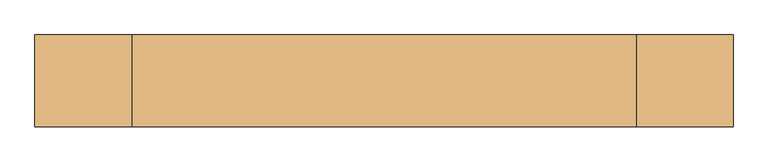
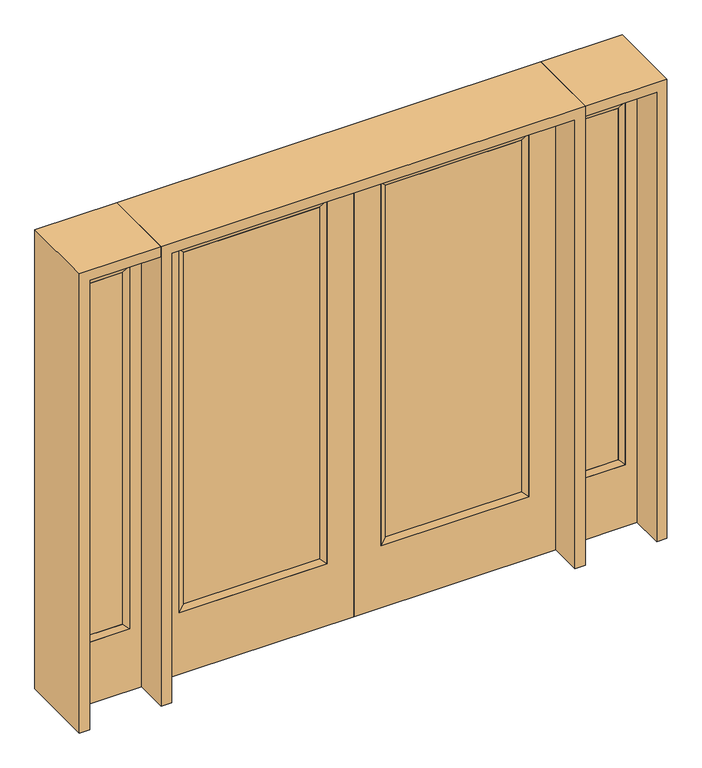
"""IFC4 building model written with IfcOpenShell, lengths in millimetres: door geometry."""

from ifc_helpers import new_model, si_unit, frame, origin, place, context, project, spatial, polyline, outline, extrude, faceted_brep, source, transform, mapped, element, save


def door_406bdc3f(model_context):
    return source(origin(), model_context, "Body", "SolidModel", [
        extrude(outline(polyline([(140.8176, -12.7039749), (140.8176, 14.2875), (722.7824, 14.2875), (722.7824, -12.7039749), (140.8176, -12.7039749)])), frame((0.0, 0.0, 304.8), z_axis=(0.0, 0.0, 1.0), x_axis=(1.0, 0.0, 0.0)), (0.0, 0.0, 1.0), 1590.675),
        faceted_brep([(140.8176, 14.2875, 1895.475), (140.8176, 14.2875, 304.8), (115.4176, 22.225, 279.4), (115.4176, 22.225, 1920.875), (115.4176, -22.225, 279.4), (115.4176, -22.225, 1920.875), (722.7824, 14.2875, 304.8), (748.1824, 22.225, 279.4), (140.8176, -12.7039749, 1895.475), (140.8176, -12.7039749, 304.8), (722.7824, -12.7039749, 304.8), (748.1824, -22.225, 279.4), (722.7824, 14.2875, 1895.475), (748.1824, 22.225, 1920.875), (722.7824, -12.7039749, 1895.475), (748.1824, -22.225, 1920.875)], [[[0, 1, 2, 3]], [[3, 2, 4, 5]], [[1, 6, 7, 2]], [[8, 9, 1, 0]], [[9, 10, 6, 1]], [[5, 4, 9, 8]], [[4, 11, 10, 9]], [[2, 7, 11, 4]], [[6, 12, 13, 7]], [[10, 14, 12, 6]], [[11, 15, 14, 10]], [[7, 13, 15, 11]], [[12, 0, 3, 13]], [[14, 8, 0, 12]], [[15, 5, 8, 14]], [[13, 3, 5, 15]]]),
        extrude(outline(polyline([(0.0, 863.6), (2032.0, 863.6), (2032.0, 0.0), (0.0, 0.0), (0.0, 863.6)]), holes=[polyline([(279.4, 748.1824), (279.4, 115.4176), (1920.875, 115.4176), (1920.875, 748.1824), (279.4, 748.1824)])]), frame((0.0, -22.225, 0.0), z_axis=(0.0, 1.0, 0.0), x_axis=(0.0, 0.0, 1.0)), (0.0, 0.0, 1.0), 44.45),
        extrude(outline(polyline([(-140.8176, -12.7039749), (-722.7824, -12.7039749), (-722.7824, 14.2875), (-140.8176, 14.2875), (-140.8176, -12.7039749)])), frame((0.0, 0.0, 304.8), z_axis=(0.0, 0.0, 1.0), x_axis=(1.0, 0.0, 0.0)), (0.0, 0.0, 1.0), 1590.675),
        faceted_brep([(-140.8176, 14.2875, 1895.475), (-115.4176, 22.225, 1920.875), (-115.4176, 22.225, 279.4), (-140.8176, 14.2875, 304.8), (-115.4176, -22.225, 1920.875), (-115.4176, -22.225, 279.4), (-748.1824, 22.225, 279.4), (-722.7824, 14.2875, 304.8), (-140.8176, -12.7039749, 1895.475), (-140.8176, -12.7039749, 304.8), (-722.7824, -12.7039749, 304.8), (-748.1824, -22.225, 279.4), (-748.1824, 22.225, 1920.875), (-722.7824, 14.2875, 1895.475), (-722.7824, -12.7039749, 1895.475), (-748.1824, -22.225, 1920.875)], [[[0, 1, 2, 3]], [[1, 4, 5, 2]], [[3, 2, 6, 7]], [[8, 0, 3, 9]], [[9, 3, 7, 10]], [[4, 8, 9, 5]], [[5, 9, 10, 11]], [[2, 5, 11, 6]], [[7, 6, 12, 13]], [[10, 7, 13, 14]], [[11, 10, 14, 15]], [[6, 11, 15, 12]], [[13, 12, 1, 0]], [[14, 13, 0, 8]], [[15, 14, 8, 4]], [[12, 15, 4, 1]]]),
        extrude(outline(polyline([(0.0, -863.6), (0.0, 0.0), (2032.0, 0.0), (2032.0, -863.6), (0.0, -863.6)]), holes=[polyline([(279.4, -748.1824), (1920.875, -748.1824), (1920.875, -115.4176), (279.4, -115.4176), (279.4, -748.1824)])]), frame((0.0, -22.225, 0.0), z_axis=(0.0, 1.0, 0.0), x_axis=(0.0, 0.0, 1.0)), (0.0, 0.0, 1.0), 44.45),
        faceted_brep([(958.85, 20.6375, 1920.875), (958.85, 20.6375, 279.4), (958.85, -20.6375, 279.4), (958.85, -20.6375, 1920.875), (984.25, -12.7, 304.8), (984.25, -12.7, 1895.475), (1162.05, 20.6375, 279.4), (1162.05, -20.6375, 279.4), (984.25, 12.7, 1895.475), (984.25, 12.7, 304.8), (1136.65, 12.7, 304.8), (1136.65, -12.7, 304.8), (1162.05, 20.6375, 1920.875), (1162.05, -20.6375, 1920.875), (1136.65, 12.7, 1895.475), (1136.65, -12.7, 1895.475)], [[[0, 1, 2, 3]], [[3, 2, 4, 5]], [[1, 6, 7, 2]], [[8, 9, 1, 0]], [[9, 10, 6, 1]], [[5, 4, 9, 8]], [[4, 11, 10, 9]], [[2, 7, 11, 4]], [[6, 12, 13, 7]], [[10, 14, 12, 6]], [[11, 15, 14, 10]], [[7, 13, 15, 11]], [[12, 0, 3, 13]], [[14, 8, 0, 12]], [[15, 5, 8, 14]], [[13, 3, 5, 15]]]),
        extrude(outline(polyline([(0.0, 1212.85), (2032.0, 1212.85), (2032.0, 908.05), (0.0, 908.05), (0.0, 1212.85)]), holes=[polyline([(1920.875, 958.85), (1920.875, 1162.05), (279.4, 1162.05), (279.4, 958.85), (1920.875, 958.85)])]), frame((0.0, -20.6375, 0.0), z_axis=(0.0, 1.0, 0.0), x_axis=(0.0, 0.0, 1.0)), (0.0, 0.0, 1.0), 41.275),
        extrude(outline(polyline([(984.25, -12.7), (984.25, 12.7), (1136.65, 12.7), (1136.65, -12.7), (984.25, -12.7)])), frame((0.0, 0.0, 304.8), z_axis=(0.0, 0.0, 1.0), x_axis=(1.0, 0.0, 0.0)), (0.0, 0.0, 1.0), 1590.675),
        faceted_brep([(-958.85, 20.6375, 1920.875), (-958.85, -20.6375, 1920.875), (-958.85, -20.6375, 279.4), (-958.85, 20.6375, 279.4), (-984.25, -12.7, 1895.475), (-984.25, -12.7, 304.8), (-1162.05, -20.6375, 279.4), (-1162.05, 20.6375, 279.4), (-984.25, 12.7, 1895.475), (-984.25, 12.7, 304.8), (-1136.65, 12.7, 304.8), (-1136.65, -12.7, 304.8), (-1162.05, -20.6375, 1920.875), (-1162.05, 20.6375, 1920.875), (-1136.65, 12.7, 1895.475), (-1136.65, -12.7, 1895.475)], [[[0, 1, 2, 3]], [[1, 4, 5, 2]], [[3, 2, 6, 7]], [[8, 0, 3, 9]], [[9, 3, 7, 10]], [[4, 8, 9, 5]], [[5, 9, 10, 11]], [[2, 5, 11, 6]], [[7, 6, 12, 13]], [[10, 7, 13, 14]], [[11, 10, 14, 15]], [[6, 11, 15, 12]], [[13, 12, 1, 0]], [[14, 13, 0, 8]], [[15, 14, 8, 4]], [[12, 15, 4, 1]]]),
        extrude(outline(polyline([(0.0, -1212.85), (0.0, -908.05), (2032.0, -908.05), (2032.0, -1212.85), (0.0, -1212.85)]), holes=[polyline([(1920.875, -958.85), (279.4, -958.85), (279.4, -1162.05), (1920.875, -1162.05), (1920.875, -958.85)])]), frame((0.0, -20.6375, 0.0), z_axis=(0.0, 1.0, 0.0), x_axis=(0.0, 0.0, 1.0)), (0.0, 0.0, 1.0), 41.275),
        extrude(outline(polyline([(-984.25, -12.7), (-1136.65, -12.7), (-1136.65, 12.7), (-984.25, 12.7), (-984.25, -12.7)])), frame((0.0, 0.0, 304.8), z_axis=(0.0, 0.0, 1.0), x_axis=(1.0, 0.0, 0.0)), (0.0, 0.0, 1.0), 1590.675),
        extrude(outline(polyline([(2032.0, -908.05), (2076.45, -908.05), (2076.45, -1257.3), (0.0, -1257.3), (0.0, -1212.85), (2032.0, -1212.85), (2032.0, -908.05)])), frame((0.0, -165.1, 0.0), z_axis=(0.0, 1.0, 0.0), x_axis=(0.0, 0.0, 1.0)), (0.0, 0.0, 1.0), 330.2),
        extrude(outline(polyline([(2076.45, -908.05), (0.0, -908.05), (0.0, -863.6), (2032.0, -863.6), (2032.0, 863.6), (0.0, 863.6), (0.0, 908.05), (2076.45, 908.05), (2076.45, -908.05)])), frame((0.0, -165.1, 0.0), z_axis=(0.0, 1.0, 0.0), x_axis=(0.0, 0.0, 1.0)), (0.0, 0.0, 1.0), 330.2),
        extrude(outline(polyline([(0.0, 1212.85), (0.0, 1257.3), (2076.45, 1257.3), (2076.45, 908.05), (2032.0, 908.05), (2032.0, 1212.85), (0.0, 1212.85)])), frame((0.0, -165.1, 0.0), z_axis=(0.0, 1.0, 0.0), x_axis=(0.0, 0.0, 1.0)), (0.0, 0.0, 1.0), 330.2),
    ])


if __name__ == "__main__":
    model = new_model("IFC4")
    model_context = context("Model", 3, world=origin())
    ifc_project = project(units=[si_unit("LENGTHUNIT", "METRE", prefix="MILLI")], contexts=[model_context])
    site = spatial("IfcSite", under=ifc_project)
    building = spatial("IfcBuilding", under=site)
    placement = place(None, origin())
    door_shape = door_406bdc3f(model_context)
    element("IfcDoor", 1, at=placement, inside=building, context=model_context, shape_type="MappedRepresentation", body=[
        mapped(door_shape, transform((0.0, 0.0, 0.0), x_axis=(1.0, 0.0, 0.0), y_axis=(0.0, 1.0, 0.0), z_axis=(0.0, 0.0, 1.0))),
    ])
    save(model, "model.ifc")
